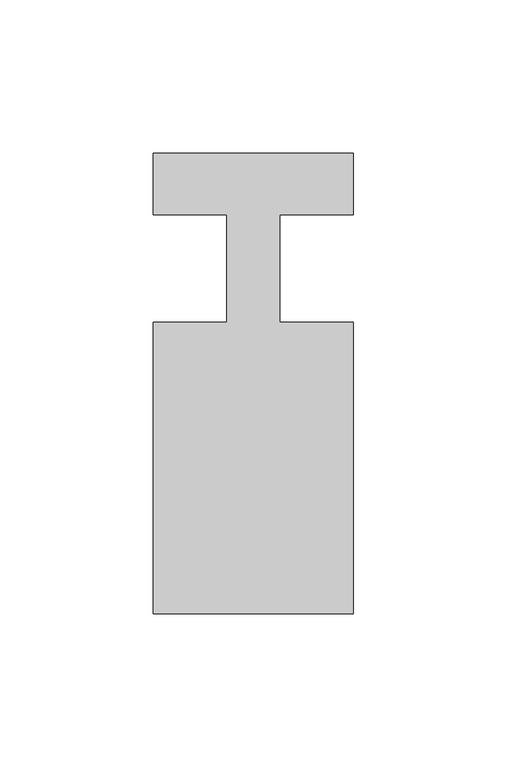
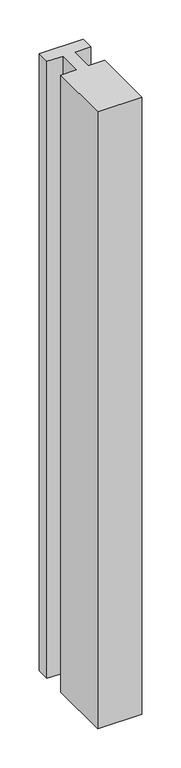
"""IFC4 building model written with IfcOpenShell, lengths in millimetres: member geometry."""

from ifc_helpers import new_model, si_unit, frame, origin, place, context, project, spatial, polyline, outline, extrude, source, transform, mapped, element, save


def member_5bbd2dec(model_context):
    return source(origin(), model_context, "Body", "SweptSolid", [
        extrude(outline(polyline([(0.0, 37.0), (0.0, 17.0), (-23.8125, 17.0), (-23.8125, -18.0), (0.0, -18.0), (0.0, -113.0), (-65.0, -113.0), (-65.0, -18.0), (-41.1875, -18.0), (-41.1875, 17.0), (-65.0, 17.0), (-65.0, 37.0), (0.0, 37.0)])), frame((0.0, 0.0, -963.5714286), z_axis=(0.0, 0.0, 1.0), x_axis=(1.0, 0.0, 0.0)), (0.0, 0.0, 1.0), 963.5714286),
    ])


if __name__ == "__main__":
    model = new_model("IFC4")
    model_context = context("Model", 3, world=origin())
    ifc_project = project(units=[si_unit("LENGTHUNIT", "METRE", prefix="MILLI")], contexts=[model_context])
    site = spatial("IfcSite", under=ifc_project)
    building = spatial("IfcBuilding", under=site)
    placement = place(None, origin())
    member_shape = member_5bbd2dec(model_context)
    element("IfcMember", 1, at=placement, inside=building, context=model_context, shape_type="MappedRepresentation", body=[
        mapped(member_shape, transform((0.0, 0.0, 0.0), x_axis=(1.0, 0.0, 0.0), y_axis=(0.0, 1.0, 0.0), z_axis=(0.0, 0.0, 1.0))),
    ])
    save(model, "model.ifc")
